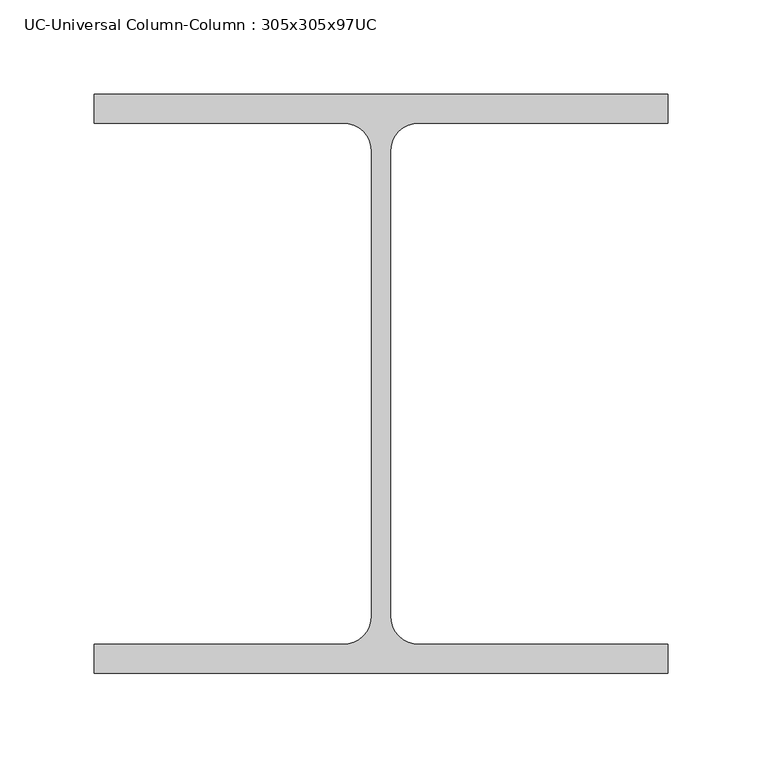
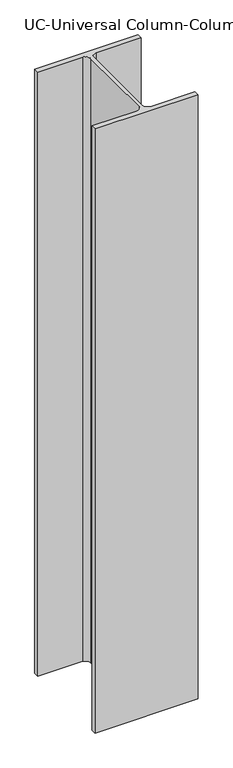
"""IFC4 building model written with IfcOpenShell, lengths in millimetres: column geometry, UC-Universal Column-Column : 305x305x97UC."""

from ifc_helpers import new_model, si_unit, point, frame, frame_2d, origin, place, context, project, spatial, polyline, circle_curve, trimmed, segment, composite_curve, outline, extrude, source, transform, mapped, element, save


def uc_universal_column_column_305x305x97uc_4a474d94(model_context):
    return source(origin(), model_context, "Body", "SweptSolid", [
        extrude(outline(composite_curve([segment(polyline([(152.65, 153.95), (152.65, 138.55), (20.15, 138.55)]), True, "CONTINUOUS"), segment(trimmed(circle_curve(frame_2d((20.15, 123.35)), 15.2), [point((20.15, 138.55))], [point((4.95, 123.35))], True, "CARTESIAN"), True, "CONTINUOUS"), segment(polyline([(4.95, 123.35), (4.95, -123.35)]), True, "CONTINUOUS"), segment(trimmed(circle_curve(frame_2d((20.15, -123.35)), 15.2), [point((4.95, -123.35))], [point((20.15, -138.55))], True, "CARTESIAN"), True, "CONTINUOUS"), segment(polyline([(20.15, -138.55), (152.65, -138.55), (152.65, -153.95), (-152.65, -153.95), (-152.65, -138.55), (-20.15, -138.55)]), True, "CONTINUOUS"), segment(trimmed(circle_curve(frame_2d((-20.15, -123.35)), 15.2), [point((-20.15, -138.55))], [point((-4.95, -123.35))], True, "CARTESIAN"), True, "CONTINUOUS"), segment(polyline([(-4.95, -123.35), (-4.95, 123.35)]), True, "CONTINUOUS"), segment(trimmed(circle_curve(frame_2d((-20.15, 123.35)), 15.2), [point((-4.95, 123.35))], [point((-20.15, 138.55))], True, "CARTESIAN"), True, "CONTINUOUS"), segment(polyline([(-20.15, 138.55), (-152.65, 138.55), (-152.65, 153.95), (152.65, 153.95)]), True, "CONTINUOUS")], self_intersect=False)), frame((0.0, 0.0, 12962.0), z_axis=(0.0, 0.0, 1.0), x_axis=(1.0, 0.0, 0.0)), (0.0, 0.0, 1.0), 1888.0),
    ])


if __name__ == "__main__":
    model = new_model("IFC4")
    model_context = context("Model", 3, world=origin())
    ifc_project = project(units=[si_unit("LENGTHUNIT", "METRE", prefix="MILLI")], contexts=[model_context])
    site = spatial("IfcSite", under=ifc_project)
    building = spatial("IfcBuilding", under=site)
    placement = place(None, origin())
    uc_universal_column_column_305x305x97uc_shape = uc_universal_column_column_305x305x97uc_4a474d94(model_context)
    element("IfcColumn", 1, ObjectType="UC-Universal Column-Column : 305x305x97UC", at=placement, inside=building, context=model_context, shape_type="MappedRepresentation", body=[
        mapped(uc_universal_column_column_305x305x97uc_shape, transform((0.0, 0.0, 0.0), x_axis=(1.0, 0.0, 0.0), y_axis=(0.0, 1.0, 0.0), z_axis=(0.0, 0.0, 1.0))),
    ])
    save(model, "model.ifc")
